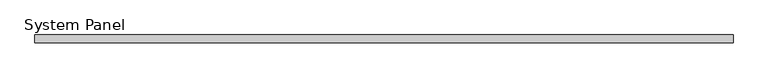
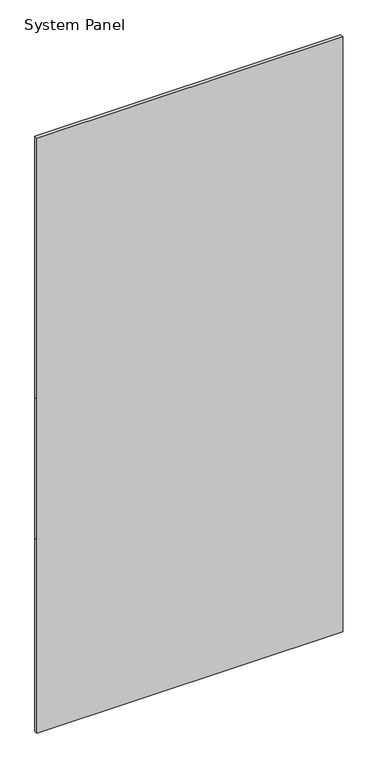
"""IFC4 building model written with IfcOpenShell, lengths in millimetres: plate geometry, System Panel."""

from ifc_helpers import new_model, si_unit, frame, origin, place, context, project, spatial, polyline, outline, extrude, source, transform, mapped, element, save


def system_panel_8a8045a3(model_context):
    return source(origin(), model_context, "Body", "SweptSolid", [
        extrude(outline(polyline([(0.0, -548.249375), (0.0, 548.249375), (732.21, 548.249375), (1265.61, 548.249375), (2255.369375, 548.249375), (2255.369375, -548.249375), (1265.61, -548.249375), (732.21, -548.249375), (0.0, -548.249375)])), frame((0.0, -6.0, 0.0), z_axis=(0.0, 1.0, 0.0), x_axis=(0.0, 0.0, 1.0)), (0.0, 0.0, 1.0), 12.0),
    ])


if __name__ == "__main__":
    model = new_model("IFC4")
    model_context = context("Model", 3, world=origin())
    ifc_project = project(units=[si_unit("LENGTHUNIT", "METRE", prefix="MILLI")], contexts=[model_context])
    site = spatial("IfcSite", under=ifc_project)
    building = spatial("IfcBuilding", under=site)
    placement = place(None, origin())
    system_panel_shape = system_panel_8a8045a3(model_context)
    element("IfcPlate", 1, ObjectType="System Panel", at=placement, inside=building, context=model_context, shape_type="MappedRepresentation", body=[
        mapped(system_panel_shape, transform((0.0, 0.0, 0.0), x_axis=(1.0, 0.0, 0.0), y_axis=(0.0, 1.0, 0.0), z_axis=(0.0, 0.0, 1.0))),
    ])
    save(model, "model.ifc")
